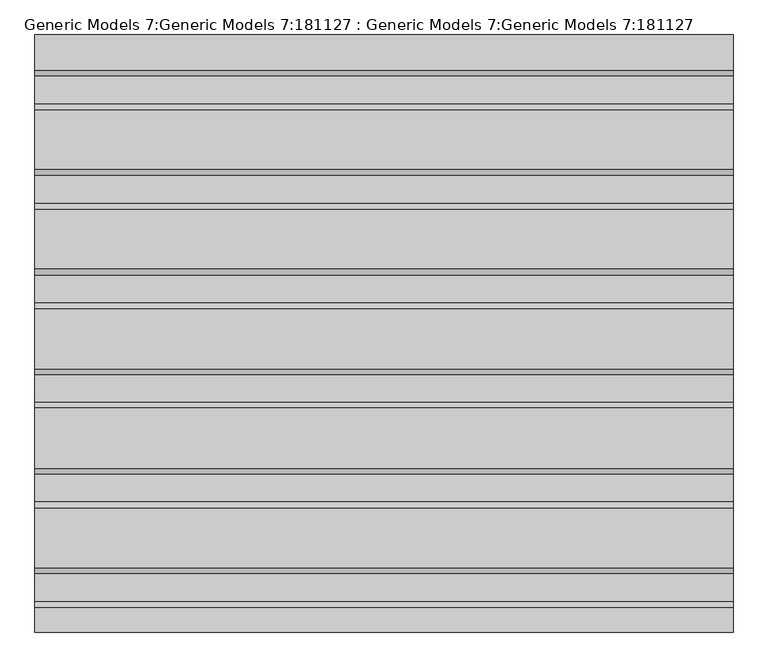
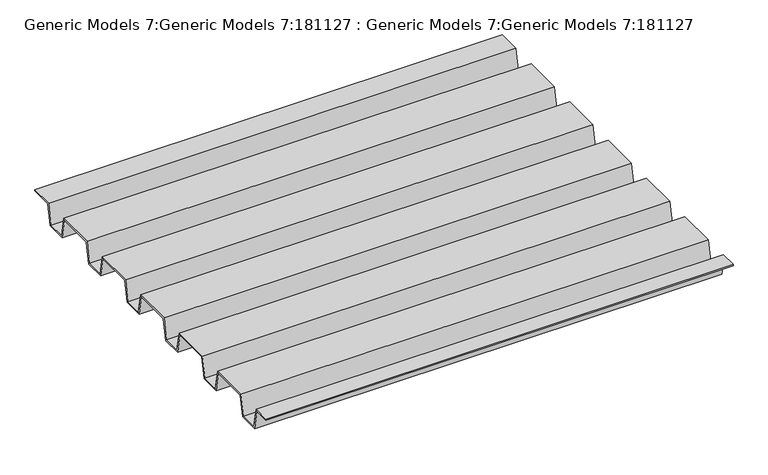
"""IFC4 building model written with IfcOpenShell, lengths in millimetres: proxy geometry, Generic Models 7:Generic Models 7:181127 : Generic Models 7:Generic Models 7:181127."""

from ifc_helpers import new_model, si_unit, frame, origin, place, context, project, spatial, polyline, outline, extrude, source, transform, mapped, element, save


def generic_models_7_generic_models_7_181127_generic_models_7_b0ecf700(model_context):
    return source(origin(), model_context, "Body", "SweptSolid", [
        extrude(outline(polyline([(-25104.2779893, 4521.2), (-25151.9583178, 4521.2), (-25160.8880053, 4568.825), (-25196.3529893, 4568.825), (-25196.3529893, 4572.0), (-25158.2529893, 4572.0), (-25149.3233018, 4524.375), (-25106.9130053, 4524.375), (-25097.9833178, 4572.0), (-25005.8529893, 4572.0), (-24996.9233018, 4524.375), (-24954.5130053, 4524.375), (-24945.5833178, 4572.0), (-24853.4529893, 4572.0), (-24844.5233018, 4524.375), (-24802.1130053, 4524.375), (-24793.1833178, 4572.0), (-24701.0529893, 4572.0), (-24692.1233018, 4524.375), (-24649.7130053, 4524.375), (-24640.7833178, 4572.0), (-24548.6529893, 4572.0), (-24539.7233018, 4524.375), (-24497.3130053, 4524.375), (-24488.3833178, 4572.0), (-24396.2529893, 4572.0), (-24387.3233018, 4524.375), (-24344.9130053, 4524.375), (-24335.9833178, 4572.0), (-24281.9529893, 4572.0), (-24281.9529893, 4568.825), (-24333.3483018, 4568.825), (-24342.2779893, 4521.2), (-24389.9583178, 4521.2), (-24398.8880053, 4568.825), (-24485.7483018, 4568.825), (-24494.6779893, 4521.2), (-24542.3583178, 4521.2), (-24551.2880053, 4568.825), (-24638.1483018, 4568.825), (-24647.0779893, 4521.2), (-24694.7583178, 4521.2), (-24703.6880053, 4568.825), (-24790.5483018, 4568.825), (-24799.4779893, 4521.2), (-24847.1583178, 4521.2), (-24856.0880053, 4568.825), (-24942.9483018, 4568.825), (-24951.8779893, 4521.2), (-24999.5583178, 4521.2), (-25008.4880053, 4568.825), (-25095.3483018, 4568.825), (-25104.2779893, 4521.2)])), frame((36536.9618587, 0.0, 0.0), z_axis=(1.0, 0.0, 0.0), x_axis=(0.0, 1.0, 0.0)), (0.0, 0.0, 1.0), 1068.3091581),
    ])


if __name__ == "__main__":
    model = new_model("IFC4")
    model_context = context("Model", 3, world=origin())
    ifc_project = project(units=[si_unit("LENGTHUNIT", "METRE", prefix="MILLI")], contexts=[model_context])
    site = spatial("IfcSite", under=ifc_project)
    building = spatial("IfcBuilding", under=site)
    placement = place(None, origin())
    generic_models_7_generic_models_7_181127_generic_models_7_shape = generic_models_7_generic_models_7_181127_generic_models_7_b0ecf700(model_context)
    element("IfcBuildingElementProxy", 1, Name="Generic Models 7:Generic Models 7:181127 : Generic Models 7:Generic Models 7:181127", ObjectType="Generic Models 7:Generic Models 7:181127 : Generic Models 7:Generic Models 7:181127", at=placement, inside=building, context=model_context, shape_type="MappedRepresentation", body=[
        mapped(generic_models_7_generic_models_7_181127_generic_models_7_shape, transform((0.0, 0.0, 0.0), x_axis=(1.0, 0.0, 0.0), y_axis=(0.0, 1.0, 0.0), z_axis=(0.0, 0.0, 1.0))),
    ])
    save(model, "model.ifc")
